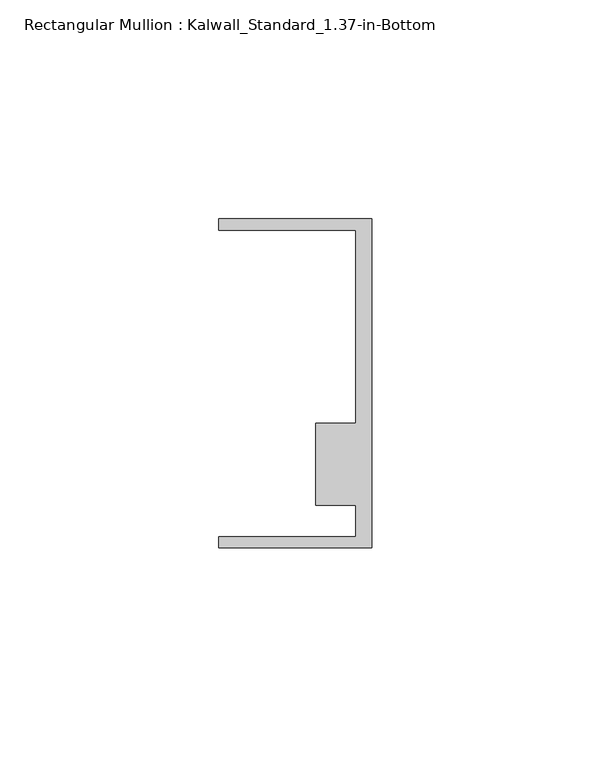
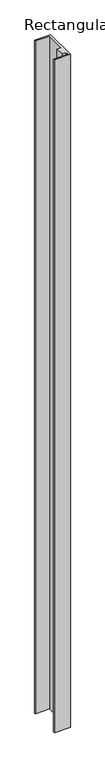
"""IFC4 building model written with IfcOpenShell, lengths in millimetres: member geometry, Rectangular Mullion : Kalwall_Standard_1.37-in-Bottom."""

from ifc_helpers import new_model, si_unit, frame, origin, place, context, project, spatial, polyline, outline, extrude, source, transform, mapped, element, save


def rectangular_mullion_kalwall_standard_1_37_in_bottom_2a28eb3b(model_context):
    return source(origin(), model_context, "Body", "SweptSolid", [
        extrude(outline(polyline([(0.0, -37.5776386), (-34.925, -37.5776386), (-34.925, -35.0376386), (-3.7084, -35.0376386), (-3.7084, -27.8888568), (-12.8272539, -27.8888568), (-12.8272539, -9.1879886), (-3.7084, -9.1879886), (-3.7084, 34.9623614), (-34.925, 34.9623614), (-34.925, 37.5023614), (0.0, 37.5023614), (0.0, -37.5776386)])), frame((0.0, 0.0, -1565.5528), z_axis=(0.0, 0.0, 1.0), x_axis=(1.0, 0.0, 0.0)), (0.0, 0.0, 1.0), 1565.5528),
    ])


if __name__ == "__main__":
    model = new_model("IFC4")
    model_context = context("Model", 3, world=origin())
    ifc_project = project(units=[si_unit("LENGTHUNIT", "METRE", prefix="MILLI")], contexts=[model_context])
    site = spatial("IfcSite", under=ifc_project)
    building = spatial("IfcBuilding", under=site)
    placement = place(None, origin())
    rectangular_mullion_kalwall_standard_1_37_in_bottom_shape = rectangular_mullion_kalwall_standard_1_37_in_bottom_2a28eb3b(model_context)
    element("IfcMember", 1, ObjectType="Rectangular Mullion : Kalwall_Standard_1.37-in-Bottom", at=placement, inside=building, context=model_context, shape_type="MappedRepresentation", body=[
        mapped(rectangular_mullion_kalwall_standard_1_37_in_bottom_shape, transform((0.0, 0.0, 0.0), x_axis=(1.0, 0.0, 0.0), y_axis=(0.0, 1.0, 0.0), z_axis=(0.0, 0.0, 1.0))),
    ])
    save(model, "model.ifc")
